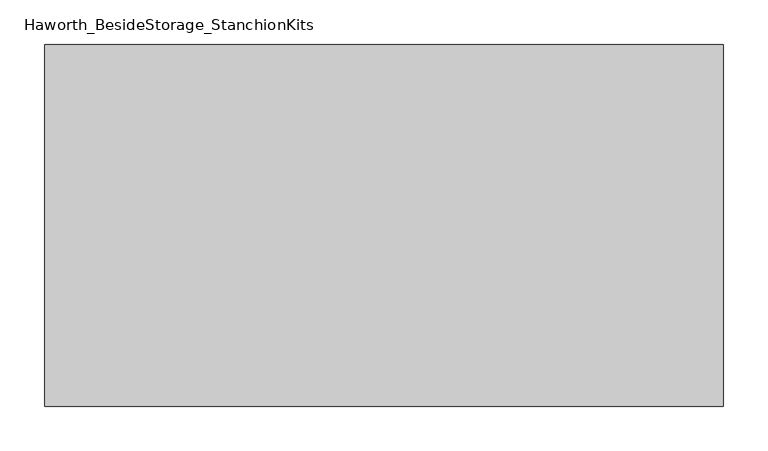
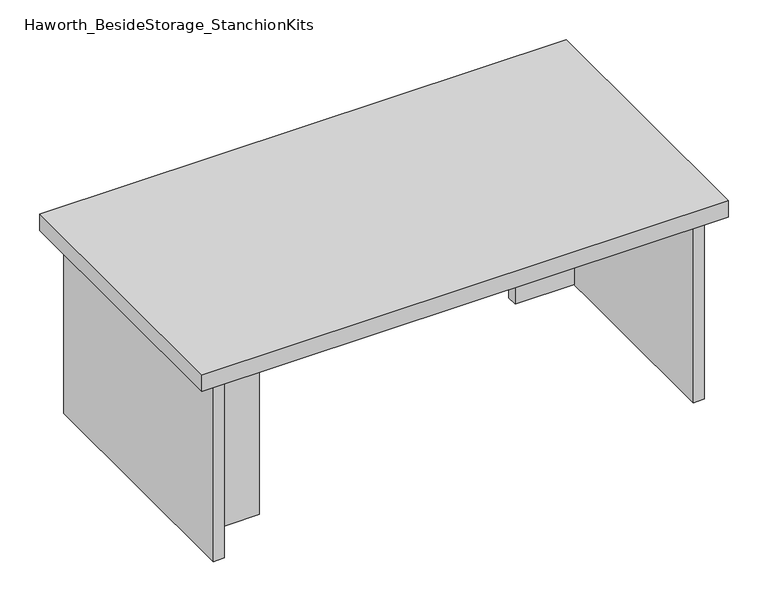
"""IFC4 building model written with IfcOpenShell, lengths in millimetres: furniture geometry, Haworth_BesideStorage_StanchionKits."""

import ifcopenshell
import ifcopenshell.guid

model = None  # the IFC model being written
_history = None  # IfcOwnerHistory: only IFC2X3 demands one
_inside = {}  # id of a spatial element -> (the spatial element, [elements in it])
_under = {}  # id of a project, library or spatial element -> (it, [spatial elements below it])
_declared = {}  # id of a project -> (the project, [libraries it declares])
_typed = {}  # id of a type object -> (the type object, [elements of that type])
_made_of = {}  # id of a material, layer set ... -> (it, [elements and type objects made of it])


def new_model(schema):
    """Start an empty IFC model of exactly this schema.

    Asked for "IFC4X3", IfcOpenShell would pick the latest addendum, in which some entities
    have other attributes; the version numbers below select the first issue.
    IFC2X3 requires an IfcOwnerHistory on every rooted entity: one is made here for all.
    """
    global model, _history
    if schema == "IFC4X3":
        model = ifcopenshell.file(schema_version=(4, 3, 0, 0))
    else:
        model = ifcopenshell.file(schema=schema)
    _inside.clear()
    _under.clear()
    _declared.clear()
    _typed.clear()
    _made_of.clear()
    _history = None
    if model.schema == "IFC2X3":
        org = make("IfcOrganization", Name="unknown")
        user = make(
            "IfcPersonAndOrganization",
            ThePerson=make("IfcPerson", FamilyName="unknown"),
            TheOrganization=org,
        )
        app = make(
            "IfcApplication",
            ApplicationDeveloper=org,
            Version="unknown",
            ApplicationFullName="unknown",
            ApplicationIdentifier="unknown",
        )
        _history = make(
            "IfcOwnerHistory",
            OwningUser=user,
            OwningApplication=app,
            ChangeAction="ADDED",
            CreationDate=0,
        )
    return model


def make(cls, **values):
    """One entity of the class cls with the attributes given. An attribute that is None is left unset."""
    return model.create_entity(
        cls, **{name: value for name, value in values.items() if value is not None}
    )


def rooted(cls, **values):
    """An entity with a GlobalId (a new one), such as an element, a storey or a relation."""
    return make(cls, GlobalId=ifcopenshell.guid.new(), OwnerHistory=_history, **values)


def si_unit(unit_type, name, prefix=None):
    """IfcSIUnit, for example si_unit("LENGTHUNIT", "METRE", prefix="MILLI")."""
    return make("IfcSIUnit", UnitType=unit_type, Prefix=prefix, Name=name)


def assignment(units):
    """IfcUnitAssignment: the units of a project."""
    return None if units is None else make("IfcUnitAssignment", Units=units)


def point(xyz):
    """IfcCartesianPoint."""
    return None if xyz is None else make("IfcCartesianPoint", Coordinates=xyz)


def direction(xyz):
    """IfcDirection."""
    return None if xyz is None else make("IfcDirection", DirectionRatios=xyz)


def frame(location, z_axis=None, x_axis=None):
    """IfcAxis2Placement3D, a coordinate frame: its origin and axes. An axis left out is left unset."""
    return make(
        "IfcAxis2Placement3D",
        Location=point(location),
        Axis=direction(z_axis),
        RefDirection=direction(x_axis),
    )


def origin():
    """The frame at (0, 0, 0) with its axes left unset."""
    return frame((0.0, 0.0, 0.0))


def place(relative_to, where):
    """IfcLocalPlacement: puts the frame where relative to a parent placement (None: the world)."""
    return make(
        "IfcLocalPlacement", PlacementRelTo=relative_to, RelativePlacement=where
    )


def context(
    kind, dimensions, precision=None, world=None, true_north=None, identifier=None
):
    """IfcGeometricRepresentationContext, for example the 3D "Model" context."""
    return make(
        "IfcGeometricRepresentationContext",
        ContextIdentifier=identifier,
        ContextType=kind,
        CoordinateSpaceDimension=dimensions,
        Precision=precision,
        WorldCoordinateSystem=world,
        TrueNorth=true_north,
    )


def project(units=None, contexts=None):
    """IfcProject with its units and contexts."""
    return rooted(
        "IfcProject",
        Name="project",
        RepresentationContexts=contexts,
        UnitsInContext=assignment(units),
    )


def spatial(cls, under=None, at=None, **own):
    """A site, building, storey or space (cls), placed at a placement, below another one or the project."""
    s = rooted(cls, ObjectPlacement=at, **own)
    if under is not None:
        _under.setdefault(under.id(), (under, []))[1].append(s)
    return s


def polyline(points):
    """IfcPolyline through the points."""
    return make("IfcPolyline", Points=[point(p) for p in points])


def outline(outer, holes=None, kind="AREA"):
    """IfcArbitraryClosedProfileDef: a profile drawn as a closed curve; with holes, ...WithVoids."""
    if holes is None:
        return make("IfcArbitraryClosedProfileDef", ProfileType=kind, OuterCurve=outer)
    return make(
        "IfcArbitraryProfileDefWithVoids",
        ProfileType=kind,
        OuterCurve=outer,
        InnerCurves=holes,
    )


def extrude(swept, where, along, depth):
    """IfcExtrudedAreaSolid: the profile swept, set in the frame where, extruded along a direction by depth."""
    return make(
        "IfcExtrudedAreaSolid",
        SweptArea=swept,
        Position=where,
        ExtrudedDirection=direction(along),
        Depth=depth,
    )


def shape(context_of_items, identifier, shape_type, items):
    """IfcShapeRepresentation: the items that make up one representation, for example the "Body"."""
    return make(
        "IfcShapeRepresentation",
        ContextOfItems=context_of_items,
        RepresentationIdentifier=identifier,
        RepresentationType=shape_type,
        Items=items,
    )


def source(mapping_origin, context_of_items, identifier, shape_type, items):
    """IfcRepresentationMap: a shape defined once, which mapped items show again and again."""
    return make(
        "IfcRepresentationMap",
        MappingOrigin=mapping_origin,
        MappedRepresentation=shape(context_of_items, identifier, shape_type, items),
    )


def transform(
    local_origin,
    x_axis=None,
    y_axis=None,
    z_axis=None,
    scale=None,
    scale2=None,
    scale3=None,
    uniform=True,
):
    """IfcCartesianTransformationOperator3D, or its non-uniform kind. x_axis, y_axis, z_axis: its Axis1, 2, 3."""
    if uniform:
        return make(
            "IfcCartesianTransformationOperator3D",
            Axis1=direction(x_axis),
            Axis2=direction(y_axis),
            LocalOrigin=point(local_origin),
            Scale=scale,
            Axis3=direction(z_axis),
        )
    return make(
        "IfcCartesianTransformationOperator3DnonUniform",
        Axis1=direction(x_axis),
        Axis2=direction(y_axis),
        LocalOrigin=point(local_origin),
        Scale=scale,
        Axis3=direction(z_axis),
        Scale2=scale2,
        Scale3=scale3,
    )


def mapped(mapping_source, mapping_target):
    """IfcMappedItem: shows the shape of a source again, moved by a transform."""
    return make(
        "IfcMappedItem", MappingSource=mapping_source, MappingTarget=mapping_target
    )


def made_of(thing, what):
    """Note that an element or type object is made of a material, layer set ...; save() writes the relation."""
    if what is not None:
        _made_of.setdefault(what.id(), (what, []))[1].append(thing)
    return thing


def element(
    cls,
    number,
    at=None,
    inside=None,
    cuts=None,
    type_object=None,
    material=None,
    context=None,
    identifier="Body",
    shape_type=None,
    held_by="IfcProductDefinitionShape",
    body=None,
    shapes=None,
    **own,
):
    """One element of the class cls, such as IfcWall. Its Tag is "e" and its number.

    at: its placement. inside: the storey or other place that contains it. cuts: it is an
    opening in that element (IfcRelVoidsElement). A single representation is given by context,
    identifier, shape_type and body (its items); several are given by shapes. held_by: the class
    of the entity that holds the representations. save() writes the other relations.
    """
    e = rooted(cls, Tag="e%d" % number, ObjectPlacement=at, **own)
    if body is not None:
        shapes = [shape(context, identifier, shape_type, body)]
    if shapes is not None:
        e.Representation = make(held_by, Representations=shapes)
    if inside is not None:
        _inside.setdefault(inside.id(), (inside, []))[1].append(e)
    if cuts is not None:
        rooted(
            "IfcRelVoidsElement", RelatingBuildingElement=cuts, RelatedOpeningElement=e
        )
    if type_object is not None:
        _typed.setdefault(type_object.id(), (type_object, []))[1].append(e)
    return made_of(e, material)


def aggregate(whole, parts):
    """IfcRelAggregates: a whole, such as a stair, and the parts it consists of."""
    return rooted("IfcRelAggregates", RelatingObject=whole, RelatedObjects=parts)


def save(model, path):
    """Write the relations noted so far, then the file.

    IfcRelAggregates (storeys below a building ...), IfcRelContainedInSpatialStructure (elements
    in a storey), IfcRelDefinesByType, IfcRelAssociatesMaterial and IfcRelDeclares: one each for
    every whole, place, type object, material and project.
    """
    for whole, parts in _under.values():
        aggregate(whole, parts)
    for where, things in _inside.values():
        rooted(
            "IfcRelContainedInSpatialStructure",
            RelatedElements=things,
            RelatingStructure=where,
        )
    for kind, things in _typed.values():
        rooted("IfcRelDefinesByType", RelatedObjects=things, RelatingType=kind)
    for what, things in _made_of.values():
        rooted("IfcRelAssociatesMaterial", RelatedObjects=things, RelatingMaterial=what)
    for by, libraries in _declared.values():
        rooted("IfcRelDeclares", RelatingContext=by, RelatedDefinitions=libraries)
    model.write(path)


def haworth_besidestorage_stanchionkits_34b44ff4(model_context):
    return source(origin(), model_context, "Body", "SweptSolid", [
        extrude(outline(polyline([(542.925, 0.0), (542.925, -406.4), (-219.075, -406.4), (-219.075, 0.0), (542.925, 0.0)])), frame((0.0, 0.0, 711.2), z_axis=(0.0, 0.0, 1.0), x_axis=(1.0, 0.0, 0.0)), (0.0, 0.0, 1.0), 25.4),
        extrude(outline(polyline([(415.925, -76.2), (501.65, -76.2), (501.65, -92.075), (415.925, -92.075), (415.925, -76.2)])), frame((0.0, 0.0, 431.8), z_axis=(0.0, 0.0, 1.0), x_axis=(1.0, 0.0, 0.0)), (0.0, 0.0, 1.0), 279.4),
        extrude(outline(polyline([(-92.075, -314.325), (-92.075, -330.2), (-177.8, -330.2), (-177.8, -314.325), (-92.075, -314.325)])), frame((0.0, 0.0, 431.8), z_axis=(0.0, 0.0, 1.0), x_axis=(1.0, 0.0, 0.0)), (0.0, 0.0, 1.0), 279.4),
        extrude(outline(polyline([(517.525, -390.525), (501.65, -390.525), (501.65, -15.875), (517.525, -15.875), (517.525, -390.525)])), frame((0.0, 0.0, 431.8), z_axis=(0.0, 0.0, 1.0), x_axis=(1.0, 0.0, 0.0)), (0.0, 0.0, 1.0), 279.4),
        extrude(outline(polyline([(-177.8, -390.525), (-193.675, -390.525), (-193.675, -15.875), (-177.8, -15.875), (-177.8, -390.525)])), frame((0.0, 0.0, 431.8), z_axis=(0.0, 0.0, 1.0), x_axis=(1.0, 0.0, 0.0)), (0.0, 0.0, 1.0), 279.4),
    ])


if __name__ == "__main__":
    model = new_model("IFC4")
    model_context = context("Model", 3, world=origin())
    ifc_project = project(units=[si_unit("LENGTHUNIT", "METRE", prefix="MILLI")], contexts=[model_context])
    site = spatial("IfcSite", under=ifc_project)
    building = spatial("IfcBuilding", under=site)
    placement = place(None, origin())
    haworth_besidestorage_stanchionkits_shape = haworth_besidestorage_stanchionkits_34b44ff4(model_context)
    element("IfcFurniture", 1, ObjectType="Haworth_BesideStorage_StanchionKits", at=placement, inside=building, context=model_context, shape_type="MappedRepresentation", body=[
        mapped(haworth_besidestorage_stanchionkits_shape, transform((0.0, 0.0, 0.0), x_axis=(1.0, 0.0, 0.0), y_axis=(0.0, 1.0, 0.0), z_axis=(0.0, 0.0, 1.0))),
    ])
    save(model, "model.ifc")
